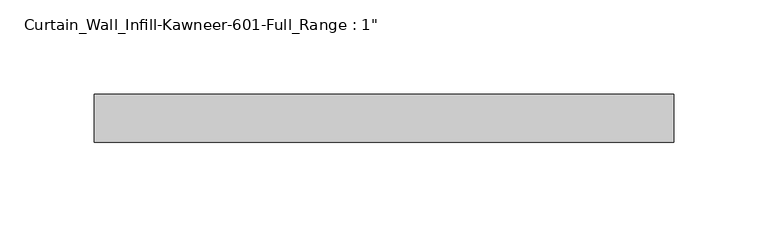
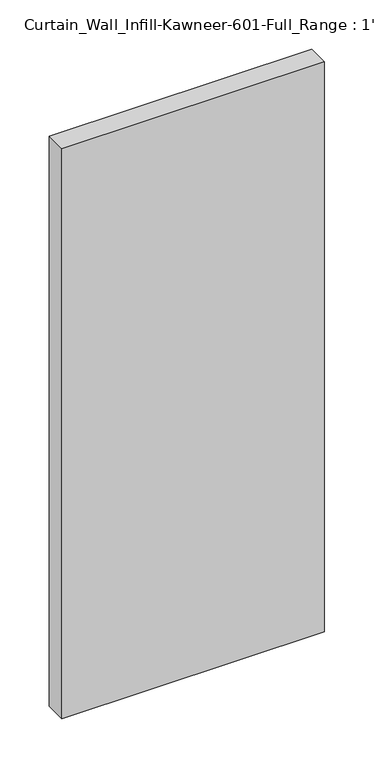
"""IFC4 building model written with IfcOpenShell, lengths in millimetres: plate geometry."""

import ifcopenshell
import ifcopenshell.guid

model = None  # the IFC model being written
_history = None  # IfcOwnerHistory: only IFC2X3 demands one
_inside = {}  # id of a spatial element -> (the spatial element, [elements in it])
_under = {}  # id of a project, library or spatial element -> (it, [spatial elements below it])
_declared = {}  # id of a project -> (the project, [libraries it declares])
_typed = {}  # id of a type object -> (the type object, [elements of that type])
_made_of = {}  # id of a material, layer set ... -> (it, [elements and type objects made of it])


def new_model(schema):
    """Start an empty IFC model of exactly this schema.

    Asked for "IFC4X3", IfcOpenShell would pick the latest addendum, in which some entities
    have other attributes; the version numbers below select the first issue.
    IFC2X3 requires an IfcOwnerHistory on every rooted entity: one is made here for all.
    """
    global model, _history
    if schema == "IFC4X3":
        model = ifcopenshell.file(schema_version=(4, 3, 0, 0))
    else:
        model = ifcopenshell.file(schema=schema)
    _inside.clear()
    _under.clear()
    _declared.clear()
    _typed.clear()
    _made_of.clear()
    _history = None
    if model.schema == "IFC2X3":
        org = make("IfcOrganization", Name="unknown")
        user = make(
            "IfcPersonAndOrganization",
            ThePerson=make("IfcPerson", FamilyName="unknown"),
            TheOrganization=org,
        )
        app = make(
            "IfcApplication",
            ApplicationDeveloper=org,
            Version="unknown",
            ApplicationFullName="unknown",
            ApplicationIdentifier="unknown",
        )
        _history = make(
            "IfcOwnerHistory",
            OwningUser=user,
            OwningApplication=app,
            ChangeAction="ADDED",
            CreationDate=0,
        )
    return model


def make(cls, **values):
    """One entity of the class cls with the attributes given. An attribute that is None is left unset."""
    return model.create_entity(
        cls, **{name: value for name, value in values.items() if value is not None}
    )


def rooted(cls, **values):
    """An entity with a GlobalId (a new one), such as an element, a storey or a relation."""
    return make(cls, GlobalId=ifcopenshell.guid.new(), OwnerHistory=_history, **values)


def si_unit(unit_type, name, prefix=None):
    """IfcSIUnit, for example si_unit("LENGTHUNIT", "METRE", prefix="MILLI")."""
    return make("IfcSIUnit", UnitType=unit_type, Prefix=prefix, Name=name)


def assignment(units):
    """IfcUnitAssignment: the units of a project."""
    return None if units is None else make("IfcUnitAssignment", Units=units)


def point(xyz):
    """IfcCartesianPoint."""
    return None if xyz is None else make("IfcCartesianPoint", Coordinates=xyz)


def direction(xyz):
    """IfcDirection."""
    return None if xyz is None else make("IfcDirection", DirectionRatios=xyz)


def frame(location, z_axis=None, x_axis=None):
    """IfcAxis2Placement3D, a coordinate frame: its origin and axes. An axis left out is left unset."""
    return make(
        "IfcAxis2Placement3D",
        Location=point(location),
        Axis=direction(z_axis),
        RefDirection=direction(x_axis),
    )


def origin():
    """The frame at (0, 0, 0) with its axes left unset."""
    return frame((0.0, 0.0, 0.0))


def origin_with_axes():
    """The frame at (0, 0, 0) with the z axis (0, 0, 1) and the x axis (1, 0, 0) written out."""
    return frame((0.0, 0.0, 0.0), z_axis=(0.0, 0.0, 1.0), x_axis=(1.0, 0.0, 0.0))


def place(relative_to, where):
    """IfcLocalPlacement: puts the frame where relative to a parent placement (None: the world)."""
    return make(
        "IfcLocalPlacement", PlacementRelTo=relative_to, RelativePlacement=where
    )


def context(
    kind, dimensions, precision=None, world=None, true_north=None, identifier=None
):
    """IfcGeometricRepresentationContext, for example the 3D "Model" context."""
    return make(
        "IfcGeometricRepresentationContext",
        ContextIdentifier=identifier,
        ContextType=kind,
        CoordinateSpaceDimension=dimensions,
        Precision=precision,
        WorldCoordinateSystem=world,
        TrueNorth=true_north,
    )


def project(units=None, contexts=None):
    """IfcProject with its units and contexts."""
    return rooted(
        "IfcProject",
        Name="project",
        RepresentationContexts=contexts,
        UnitsInContext=assignment(units),
    )


def spatial(cls, under=None, at=None, **own):
    """A site, building, storey or space (cls), placed at a placement, below another one or the project."""
    s = rooted(cls, ObjectPlacement=at, **own)
    if under is not None:
        _under.setdefault(under.id(), (under, []))[1].append(s)
    return s


def polyline(points):
    """IfcPolyline through the points."""
    return make("IfcPolyline", Points=[point(p) for p in points])


def outline(outer, holes=None, kind="AREA"):
    """IfcArbitraryClosedProfileDef: a profile drawn as a closed curve; with holes, ...WithVoids."""
    if holes is None:
        return make("IfcArbitraryClosedProfileDef", ProfileType=kind, OuterCurve=outer)
    return make(
        "IfcArbitraryProfileDefWithVoids",
        ProfileType=kind,
        OuterCurve=outer,
        InnerCurves=holes,
    )


def extrude(swept, where, along, depth):
    """IfcExtrudedAreaSolid: the profile swept, set in the frame where, extruded along a direction by depth."""
    return make(
        "IfcExtrudedAreaSolid",
        SweptArea=swept,
        Position=where,
        ExtrudedDirection=direction(along),
        Depth=depth,
    )


def shape(context_of_items, identifier, shape_type, items):
    """IfcShapeRepresentation: the items that make up one representation, for example the "Body"."""
    return make(
        "IfcShapeRepresentation",
        ContextOfItems=context_of_items,
        RepresentationIdentifier=identifier,
        RepresentationType=shape_type,
        Items=items,
    )


def source(mapping_origin, context_of_items, identifier, shape_type, items):
    """IfcRepresentationMap: a shape defined once, which mapped items show again and again."""
    return make(
        "IfcRepresentationMap",
        MappingOrigin=mapping_origin,
        MappedRepresentation=shape(context_of_items, identifier, shape_type, items),
    )


def transform(
    local_origin,
    x_axis=None,
    y_axis=None,
    z_axis=None,
    scale=None,
    scale2=None,
    scale3=None,
    uniform=True,
):
    """IfcCartesianTransformationOperator3D, or its non-uniform kind. x_axis, y_axis, z_axis: its Axis1, 2, 3."""
    if uniform:
        return make(
            "IfcCartesianTransformationOperator3D",
            Axis1=direction(x_axis),
            Axis2=direction(y_axis),
            LocalOrigin=point(local_origin),
            Scale=scale,
            Axis3=direction(z_axis),
        )
    return make(
        "IfcCartesianTransformationOperator3DnonUniform",
        Axis1=direction(x_axis),
        Axis2=direction(y_axis),
        LocalOrigin=point(local_origin),
        Scale=scale,
        Axis3=direction(z_axis),
        Scale2=scale2,
        Scale3=scale3,
    )


def mapped(mapping_source, mapping_target):
    """IfcMappedItem: shows the shape of a source again, moved by a transform."""
    return make(
        "IfcMappedItem", MappingSource=mapping_source, MappingTarget=mapping_target
    )


def made_of(thing, what):
    """Note that an element or type object is made of a material, layer set ...; save() writes the relation."""
    if what is not None:
        _made_of.setdefault(what.id(), (what, []))[1].append(thing)
    return thing


def element(
    cls,
    number,
    at=None,
    inside=None,
    cuts=None,
    type_object=None,
    material=None,
    context=None,
    identifier="Body",
    shape_type=None,
    held_by="IfcProductDefinitionShape",
    body=None,
    shapes=None,
    **own,
):
    """One element of the class cls, such as IfcWall. Its Tag is "e" and its number.

    at: its placement. inside: the storey or other place that contains it. cuts: it is an
    opening in that element (IfcRelVoidsElement). A single representation is given by context,
    identifier, shape_type and body (its items); several are given by shapes. held_by: the class
    of the entity that holds the representations. save() writes the other relations.
    """
    e = rooted(cls, Tag="e%d" % number, ObjectPlacement=at, **own)
    if body is not None:
        shapes = [shape(context, identifier, shape_type, body)]
    if shapes is not None:
        e.Representation = make(held_by, Representations=shapes)
    if inside is not None:
        _inside.setdefault(inside.id(), (inside, []))[1].append(e)
    if cuts is not None:
        rooted(
            "IfcRelVoidsElement", RelatingBuildingElement=cuts, RelatedOpeningElement=e
        )
    if type_object is not None:
        _typed.setdefault(type_object.id(), (type_object, []))[1].append(e)
    return made_of(e, material)


def aggregate(whole, parts):
    """IfcRelAggregates: a whole, such as a stair, and the parts it consists of."""
    return rooted("IfcRelAggregates", RelatingObject=whole, RelatedObjects=parts)


def save(model, path):
    """Write the relations noted so far, then the file.

    IfcRelAggregates (storeys below a building ...), IfcRelContainedInSpatialStructure (elements
    in a storey), IfcRelDefinesByType, IfcRelAssociatesMaterial and IfcRelDeclares: one each for
    every whole, place, type object, material and project.
    """
    for whole, parts in _under.values():
        aggregate(whole, parts)
    for where, things in _inside.values():
        rooted(
            "IfcRelContainedInSpatialStructure",
            RelatedElements=things,
            RelatingStructure=where,
        )
    for kind, things in _typed.values():
        rooted("IfcRelDefinesByType", RelatedObjects=things, RelatingType=kind)
    for what, things in _made_of.values():
        rooted("IfcRelAssociatesMaterial", RelatedObjects=things, RelatingMaterial=what)
    for by, libraries in _declared.values():
        rooted("IfcRelDeclares", RelatingContext=by, RelatedDefinitions=libraries)
    model.write(path)


def plate_5a2b46a1(model_context):
    return source(origin(), model_context, "Body", "SweptSolid", [
        extrude(outline(polyline([(-153.4583333, -12.7), (-153.4583333, 12.7), (153.4583333, 12.7), (153.4583333, -12.7), (-153.4583333, -12.7)])), origin_with_axes(), (0.0, 0.0, 1.0), 704.85),
    ])


if __name__ == "__main__":
    model = new_model("IFC4")
    model_context = context("Model", 3, world=origin())
    ifc_project = project(units=[si_unit("LENGTHUNIT", "METRE", prefix="MILLI")], contexts=[model_context])
    site = spatial("IfcSite", under=ifc_project)
    building = spatial("IfcBuilding", under=site)
    placement = place(None, origin())
    plate_shape = plate_5a2b46a1(model_context)
    element("IfcPlate", 1, ObjectType="Curtain_Wall_Infill-Kawneer-601-Full_Range : 1\"", at=placement, inside=building, context=model_context, shape_type="MappedRepresentation", body=[
        mapped(plate_shape, transform((0.0, 0.0, 0.0), x_axis=(1.0, 0.0, 0.0), y_axis=(0.0, 1.0, 0.0), z_axis=(0.0, 0.0, 1.0))),
    ])
    save(model, "model.ifc")
